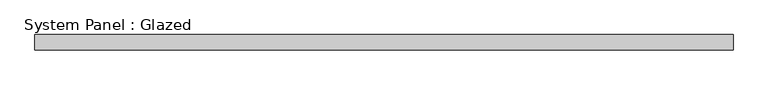
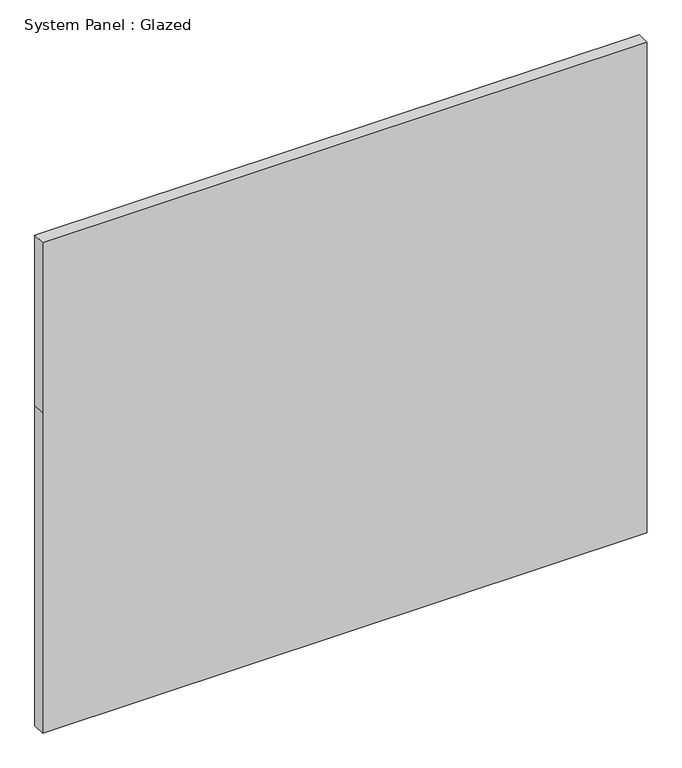
"""IFC4 building model written with IfcOpenShell, lengths in millimetres: plate geometry, System Panel : Glazed."""

from ifc_helpers import new_model, si_unit, frame, origin, place, context, project, spatial, polyline, outline, extrude, source, transform, mapped, element, save


def system_panel_glazed_fee120b8(model_context):
    return source(origin(), model_context, "Body", "SweptSolid", [
        extrude(outline(polyline([(0.0, -571.6), (0.0, 571.6), (640.0, 571.6), (980.0, 571.6), (980.0, -571.6), (640.0, -571.6), (0.0, -571.6)])), frame((0.0, -37.5, 0.0), z_axis=(0.0, 1.0, 0.0), x_axis=(0.0, 0.0, 1.0)), (0.0, 0.0, 1.0), 25.0),
    ])


if __name__ == "__main__":
    model = new_model("IFC4")
    model_context = context("Model", 3, world=origin())
    ifc_project = project(units=[si_unit("LENGTHUNIT", "METRE", prefix="MILLI")], contexts=[model_context])
    site = spatial("IfcSite", under=ifc_project)
    building = spatial("IfcBuilding", under=site)
    placement = place(None, origin())
    system_panel_glazed_shape = system_panel_glazed_fee120b8(model_context)
    element("IfcPlate", 1, ObjectType="System Panel : Glazed", at=placement, inside=building, context=model_context, shape_type="MappedRepresentation", body=[
        mapped(system_panel_glazed_shape, transform((0.0, 0.0, 0.0), x_axis=(1.0, 0.0, 0.0), y_axis=(0.0, 1.0, 0.0), z_axis=(0.0, 0.0, 1.0))),
    ])
    save(model, "model.ifc")
